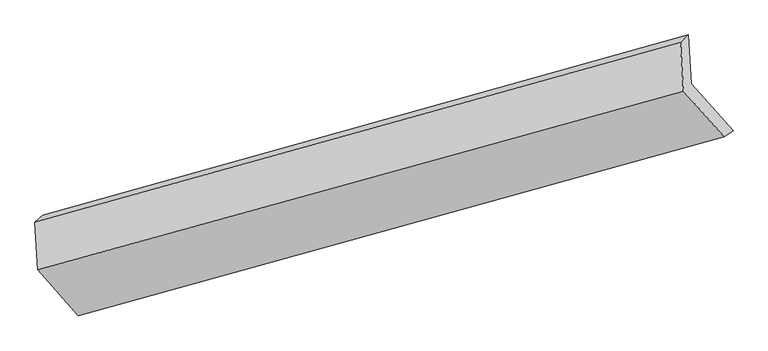
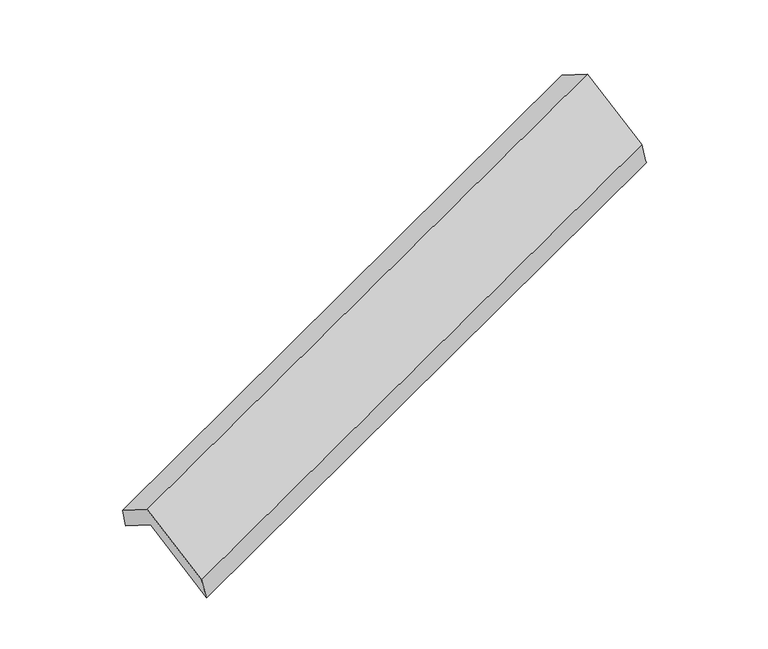
"""IFC4 building model written with IfcOpenShell, lengths in millimetres: proxy geometry."""

from ifc_helpers import new_model, si_unit, frame, origin, place, context, project, spatial, source, transform, mapped, element, save
from ifc_brep_helpers import plane_surface, spline_surface, advanced_brep


def generic_models_4cfb1b52(model_context):
    return source(origin(), model_context, "Body", "AdvancedBrep", [
        advanced_brep(
        [(-5108.47328, -2097.4462155, 1297.3945442), (-5127.7473848, -1766.8797803, 1094.5080477), (-754.2823046, -547.355103, 2666.0236813), (-735.0081998, -877.9215382, 2868.9101778), (-5179.9944386, -1816.3178359, 1279.1918906), (-806.5293584, -596.7931586, 2850.7075242), (-5161.2166532, -2138.3719947, 1476.8539428), (-787.2552536, -927.3595938, 3053.5940207), (-4885.2507661, -2448.5480793, 945.2621424), (-511.2893666, -1237.5356783, 2522.0022203), (-4824.3246183, -2416.819455, 750.040303), (-450.8595381, -1197.2947777, 2321.5559366)],
        [
            (0, 1),
            (1, 2),
            (2, 3),
            (3, 0),
            (1, 4),
            (4, 5),
            (5, 2),
            (4, 6),
            (6, 7),
            (7, 5),
            (6, 8),
            (8, 9),
            (9, 7),
            (8, 10),
            (10, 11),
            (11, 9),
            (10, 0),
            (3, 11),
        ],
        [
            plane_surface(frame((-5118.1103324, -1932.1629979, 1195.9512959), z_axis=(0.41103420542725855, -0.4593304459245396, -0.7874429651825877), x_axis=(-0.0496319313832462, 0.8512276362822957, -0.5224444301707356))),
            plane_surface(frame((-5153.8709117, -1791.5988081, 1186.8499691), z_axis=(-0.3181075874475201, 0.9344308570797674, 0.1601453594253986), x_axis=(-0.26361190662277234, -0.2494391384709349, 0.9318201966503971))),
            plane_surface(frame((-5170.6055459, -1977.3449153, 1378.0229167), z_axis=(-0.41103420542725855, 0.45933044592453964, 0.7874429651825878), x_axis=(0.0496319313832462, -0.8512276362822957, 0.5224444301707356))),
            plane_surface(frame((-5023.2337097, -2293.460037, 1211.0580426), z_axis=(0.047735468290250355, -0.8517520979941611, 0.5217659327990434), x_axis=(0.40913873602947726, -0.4598577474414582, -0.788122038010783))),
            spline_surface(1, 1, [[(-4885.2507661, -2448.5480793, 945.2621424), (-511.2893666, -1237.5356783, 2522.0022203)], [(-4824.3246183, -2416.819455, 750.040303), (-450.8595381, -1197.2947777, 2321.5559366)]], [2, 2], [2, 2], [0.0, 1.0], [0.0, 1.0]),
            plane_surface(frame((-4966.3989492, -2257.1328353, 1023.7174236), z_axis=(-0.04963193138324279, 0.8512276362822917, -0.5224444301707425), x_axis=(-0.40913873602948003, 0.45985774744147, 0.7881220380107746))),
            plane_surface(frame((-674.2040035, -897.3766416, 2713.7989268), z_axis=(0.9111213783395546, 0.25286827271786216, 0.325446571014837), x_axis=(0.2834557953593898, 0.18875639349788922, -0.9402254176477287))),
            plane_surface(frame((-5047.8345235, -2114.0638935, 1140.5418118), z_axis=(-0.9111213783395545, -0.25286827271786494, -0.3254465710148353), x_axis=(0.40913873602948003, -0.45985774744147, -0.7881220380107746))),
        ],
        [
            (0, [[1, 2, 3, 4]]),
            (1, [[5, 6, 7, -2]]),
            (2, [[8, 9, 10, -6]]),
            (3, [[11, 12, 13, -9]]),
            (4, [[14, 15, 16, -12]]),
            (5, [[17, -4, 18, -15]]),
            (6, [[-16, -18, -3, -7, -10, -13]]),
            (7, [[-17, -14, -11, -8, -5, -1]]),
        ],
    ),
    ])


if __name__ == "__main__":
    model = new_model("IFC4")
    model_context = context("Model", 3, world=origin())
    ifc_project = project(units=[si_unit("LENGTHUNIT", "METRE", prefix="MILLI")], contexts=[model_context])
    site = spatial("IfcSite", under=ifc_project)
    building = spatial("IfcBuilding", under=site)
    placement = place(None, origin())
    generic_models_shape = generic_models_4cfb1b52(model_context)
    element("IfcBuildingElementProxy", 1, Name="Generic Models", at=placement, inside=building, context=model_context, shape_type="MappedRepresentation", body=[
        mapped(generic_models_shape, transform((0.0, 0.0, 0.0), x_axis=(1.0, 0.0, 0.0), y_axis=(0.0, 1.0, 0.0), z_axis=(0.0, 0.0, 1.0))),
    ])
    save(model, "model.ifc")
